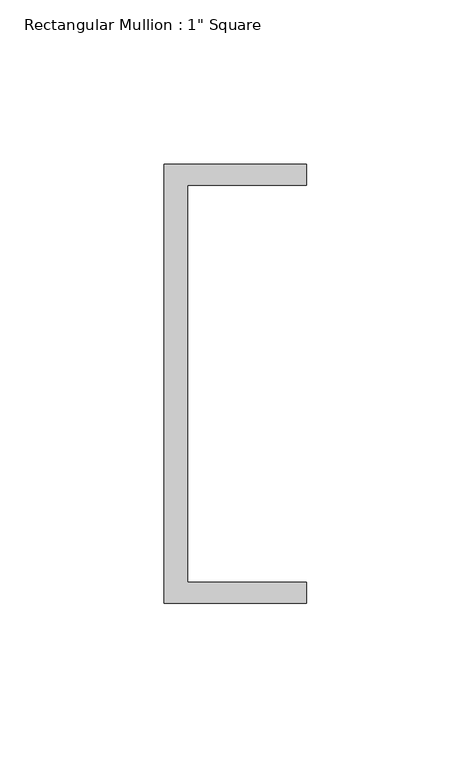
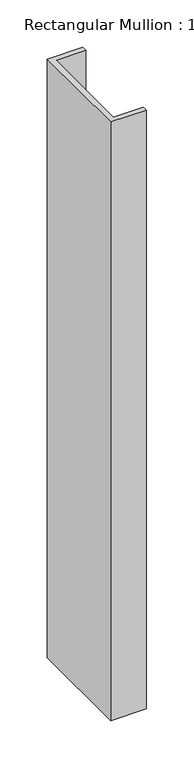
"""IFC4 building model written with IfcOpenShell, lengths in millimetres: member geometry."""

import ifcopenshell
import ifcopenshell.guid

model = None  # the IFC model being written
_history = None  # IfcOwnerHistory: only IFC2X3 demands one
_inside = {}  # id of a spatial element -> (the spatial element, [elements in it])
_under = {}  # id of a project, library or spatial element -> (it, [spatial elements below it])
_declared = {}  # id of a project -> (the project, [libraries it declares])
_typed = {}  # id of a type object -> (the type object, [elements of that type])
_made_of = {}  # id of a material, layer set ... -> (it, [elements and type objects made of it])


def new_model(schema):
    """Start an empty IFC model of exactly this schema.

    Asked for "IFC4X3", IfcOpenShell would pick the latest addendum, in which some entities
    have other attributes; the version numbers below select the first issue.
    IFC2X3 requires an IfcOwnerHistory on every rooted entity: one is made here for all.
    """
    global model, _history
    if schema == "IFC4X3":
        model = ifcopenshell.file(schema_version=(4, 3, 0, 0))
    else:
        model = ifcopenshell.file(schema=schema)
    _inside.clear()
    _under.clear()
    _declared.clear()
    _typed.clear()
    _made_of.clear()
    _history = None
    if model.schema == "IFC2X3":
        org = make("IfcOrganization", Name="unknown")
        user = make(
            "IfcPersonAndOrganization",
            ThePerson=make("IfcPerson", FamilyName="unknown"),
            TheOrganization=org,
        )
        app = make(
            "IfcApplication",
            ApplicationDeveloper=org,
            Version="unknown",
            ApplicationFullName="unknown",
            ApplicationIdentifier="unknown",
        )
        _history = make(
            "IfcOwnerHistory",
            OwningUser=user,
            OwningApplication=app,
            ChangeAction="ADDED",
            CreationDate=0,
        )
    return model


def make(cls, **values):
    """One entity of the class cls with the attributes given. An attribute that is None is left unset."""
    return model.create_entity(
        cls, **{name: value for name, value in values.items() if value is not None}
    )


def rooted(cls, **values):
    """An entity with a GlobalId (a new one), such as an element, a storey or a relation."""
    return make(cls, GlobalId=ifcopenshell.guid.new(), OwnerHistory=_history, **values)


def si_unit(unit_type, name, prefix=None):
    """IfcSIUnit, for example si_unit("LENGTHUNIT", "METRE", prefix="MILLI")."""
    return make("IfcSIUnit", UnitType=unit_type, Prefix=prefix, Name=name)


def assignment(units):
    """IfcUnitAssignment: the units of a project."""
    return None if units is None else make("IfcUnitAssignment", Units=units)


def point(xyz):
    """IfcCartesianPoint."""
    return None if xyz is None else make("IfcCartesianPoint", Coordinates=xyz)


def direction(xyz):
    """IfcDirection."""
    return None if xyz is None else make("IfcDirection", DirectionRatios=xyz)


def frame(location, z_axis=None, x_axis=None):
    """IfcAxis2Placement3D, a coordinate frame: its origin and axes. An axis left out is left unset."""
    return make(
        "IfcAxis2Placement3D",
        Location=point(location),
        Axis=direction(z_axis),
        RefDirection=direction(x_axis),
    )


def origin():
    """The frame at (0, 0, 0) with its axes left unset."""
    return frame((0.0, 0.0, 0.0))


def place(relative_to, where):
    """IfcLocalPlacement: puts the frame where relative to a parent placement (None: the world)."""
    return make(
        "IfcLocalPlacement", PlacementRelTo=relative_to, RelativePlacement=where
    )


def context(
    kind, dimensions, precision=None, world=None, true_north=None, identifier=None
):
    """IfcGeometricRepresentationContext, for example the 3D "Model" context."""
    return make(
        "IfcGeometricRepresentationContext",
        ContextIdentifier=identifier,
        ContextType=kind,
        CoordinateSpaceDimension=dimensions,
        Precision=precision,
        WorldCoordinateSystem=world,
        TrueNorth=true_north,
    )


def project(units=None, contexts=None):
    """IfcProject with its units and contexts."""
    return rooted(
        "IfcProject",
        Name="project",
        RepresentationContexts=contexts,
        UnitsInContext=assignment(units),
    )


def spatial(cls, under=None, at=None, **own):
    """A site, building, storey or space (cls), placed at a placement, below another one or the project."""
    s = rooted(cls, ObjectPlacement=at, **own)
    if under is not None:
        _under.setdefault(under.id(), (under, []))[1].append(s)
    return s


def polyline(points):
    """IfcPolyline through the points."""
    return make("IfcPolyline", Points=[point(p) for p in points])


def outline(outer, holes=None, kind="AREA"):
    """IfcArbitraryClosedProfileDef: a profile drawn as a closed curve; with holes, ...WithVoids."""
    if holes is None:
        return make("IfcArbitraryClosedProfileDef", ProfileType=kind, OuterCurve=outer)
    return make(
        "IfcArbitraryProfileDefWithVoids",
        ProfileType=kind,
        OuterCurve=outer,
        InnerCurves=holes,
    )


def extrude(swept, where, along, depth):
    """IfcExtrudedAreaSolid: the profile swept, set in the frame where, extruded along a direction by depth."""
    return make(
        "IfcExtrudedAreaSolid",
        SweptArea=swept,
        Position=where,
        ExtrudedDirection=direction(along),
        Depth=depth,
    )


def shape(context_of_items, identifier, shape_type, items):
    """IfcShapeRepresentation: the items that make up one representation, for example the "Body"."""
    return make(
        "IfcShapeRepresentation",
        ContextOfItems=context_of_items,
        RepresentationIdentifier=identifier,
        RepresentationType=shape_type,
        Items=items,
    )


def source(mapping_origin, context_of_items, identifier, shape_type, items):
    """IfcRepresentationMap: a shape defined once, which mapped items show again and again."""
    return make(
        "IfcRepresentationMap",
        MappingOrigin=mapping_origin,
        MappedRepresentation=shape(context_of_items, identifier, shape_type, items),
    )


def transform(
    local_origin,
    x_axis=None,
    y_axis=None,
    z_axis=None,
    scale=None,
    scale2=None,
    scale3=None,
    uniform=True,
):
    """IfcCartesianTransformationOperator3D, or its non-uniform kind. x_axis, y_axis, z_axis: its Axis1, 2, 3."""
    if uniform:
        return make(
            "IfcCartesianTransformationOperator3D",
            Axis1=direction(x_axis),
            Axis2=direction(y_axis),
            LocalOrigin=point(local_origin),
            Scale=scale,
            Axis3=direction(z_axis),
        )
    return make(
        "IfcCartesianTransformationOperator3DnonUniform",
        Axis1=direction(x_axis),
        Axis2=direction(y_axis),
        LocalOrigin=point(local_origin),
        Scale=scale,
        Axis3=direction(z_axis),
        Scale2=scale2,
        Scale3=scale3,
    )


def mapped(mapping_source, mapping_target):
    """IfcMappedItem: shows the shape of a source again, moved by a transform."""
    return make(
        "IfcMappedItem", MappingSource=mapping_source, MappingTarget=mapping_target
    )


def made_of(thing, what):
    """Note that an element or type object is made of a material, layer set ...; save() writes the relation."""
    if what is not None:
        _made_of.setdefault(what.id(), (what, []))[1].append(thing)
    return thing


def element(
    cls,
    number,
    at=None,
    inside=None,
    cuts=None,
    type_object=None,
    material=None,
    context=None,
    identifier="Body",
    shape_type=None,
    held_by="IfcProductDefinitionShape",
    body=None,
    shapes=None,
    **own,
):
    """One element of the class cls, such as IfcWall. Its Tag is "e" and its number.

    at: its placement. inside: the storey or other place that contains it. cuts: it is an
    opening in that element (IfcRelVoidsElement). A single representation is given by context,
    identifier, shape_type and body (its items); several are given by shapes. held_by: the class
    of the entity that holds the representations. save() writes the other relations.
    """
    e = rooted(cls, Tag="e%d" % number, ObjectPlacement=at, **own)
    if body is not None:
        shapes = [shape(context, identifier, shape_type, body)]
    if shapes is not None:
        e.Representation = make(held_by, Representations=shapes)
    if inside is not None:
        _inside.setdefault(inside.id(), (inside, []))[1].append(e)
    if cuts is not None:
        rooted(
            "IfcRelVoidsElement", RelatingBuildingElement=cuts, RelatedOpeningElement=e
        )
    if type_object is not None:
        _typed.setdefault(type_object.id(), (type_object, []))[1].append(e)
    return made_of(e, material)


def aggregate(whole, parts):
    """IfcRelAggregates: a whole, such as a stair, and the parts it consists of."""
    return rooted("IfcRelAggregates", RelatingObject=whole, RelatedObjects=parts)


def save(model, path):
    """Write the relations noted so far, then the file.

    IfcRelAggregates (storeys below a building ...), IfcRelContainedInSpatialStructure (elements
    in a storey), IfcRelDefinesByType, IfcRelAssociatesMaterial and IfcRelDeclares: one each for
    every whole, place, type object, material and project.
    """
    for whole, parts in _under.values():
        aggregate(whole, parts)
    for where, things in _inside.values():
        rooted(
            "IfcRelContainedInSpatialStructure",
            RelatedElements=things,
            RelatingStructure=where,
        )
    for kind, things in _typed.values():
        rooted("IfcRelDefinesByType", RelatedObjects=things, RelatingType=kind)
    for what, things in _made_of.values():
        rooted("IfcRelAssociatesMaterial", RelatedObjects=things, RelatingMaterial=what)
    for by, libraries in _declared.values():
        rooted("IfcRelDeclares", RelatingContext=by, RelatedDefinitions=libraries)
    model.write(path)


def member_dc3f2a4f(model_context):
    return source(origin(), model_context, "Body", "SweptSolid", [
        extrude(outline(polyline([(-18.6549463, 135.2608739), (24.5675083, 135.2608739), (24.5675083, 128.9108739), (-11.6110886, 128.9108739), (-11.6110886, 8.2608739), (24.5675083, 8.2608739), (24.5675083, 1.9108739), (-18.6549463, 1.9108739), (-18.6549463, 135.2608739)])), frame((0.0, 0.0, -770.4739477), z_axis=(0.0, 0.0, 1.0), x_axis=(1.0, 0.0, 0.0)), (0.0, 0.0, 1.0), 770.4739477),
    ])


if __name__ == "__main__":
    model = new_model("IFC4")
    model_context = context("Model", 3, world=origin())
    ifc_project = project(units=[si_unit("LENGTHUNIT", "METRE", prefix="MILLI")], contexts=[model_context])
    site = spatial("IfcSite", under=ifc_project)
    building = spatial("IfcBuilding", under=site)
    placement = place(None, origin())
    member_shape = member_dc3f2a4f(model_context)
    element("IfcMember", 1, ObjectType="Rectangular Mullion : 1\" Square", at=placement, inside=building, context=model_context, shape_type="MappedRepresentation", body=[
        mapped(member_shape, transform((0.0, 0.0, 0.0), x_axis=(1.0, 0.0, 0.0), y_axis=(0.0, 1.0, 0.0), z_axis=(0.0, 0.0, 1.0))),
    ])
    save(model, "model.ifc")
